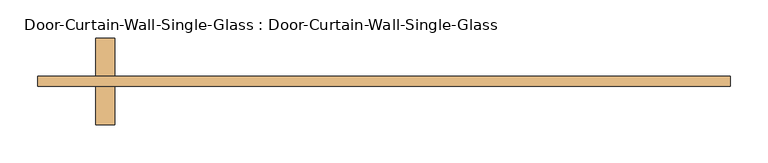
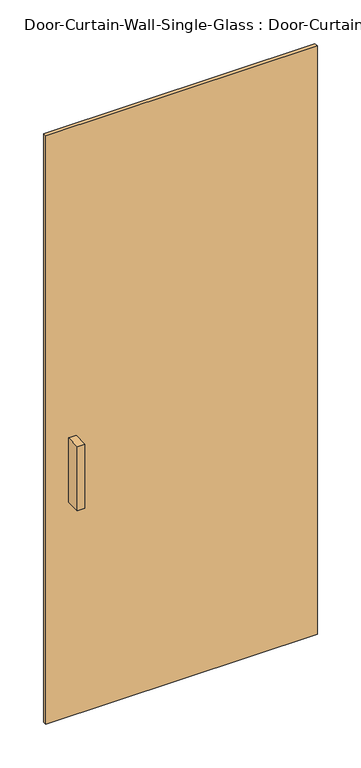
"""IFC4 building model written with IfcOpenShell, lengths in millimetres: door geometry, Door-Curtain-Wall-Single-Glass : Door-Curtain-Wall-Single-Glass."""

from ifc_helpers import new_model, si_unit, frame, origin, origin_with_axes, place, context, project, spatial, polyline, outline, extrude, source, transform, mapped, element, save


def door_curtain_wall_single_glass_door_curtain_wall_single_17bb2955(model_context):
    return source(origin(), model_context, "Body", "SweptSolid", [
        extrude(outline(polyline([(456.406885, -50.8), (-456.406885, -50.8), (-456.406885, -38.1), (456.406885, -38.1), (456.406885, -50.8)])), origin_with_axes(), (0.0, 0.0, 1.0), 2089.9351997),
        extrude(outline(polyline([(-354.806885, 12.7), (-354.806885, -38.1), (-380.206885, -38.1), (-380.206885, 12.7), (-354.806885, 12.7)])), frame((0.0, 0.0, 762.0), z_axis=(0.0, 0.0, 1.0), x_axis=(1.0, 0.0, 0.0)), (0.0, 0.0, 1.0), 228.6),
        extrude(outline(polyline([(-380.206885, -101.6), (-380.206885, -50.8), (-354.806885, -50.8), (-354.806885, -101.6), (-380.206885, -101.6)])), frame((0.0, 0.0, 762.0), z_axis=(0.0, 0.0, 1.0), x_axis=(1.0, 0.0, 0.0)), (0.0, 0.0, 1.0), 228.6),
    ])


if __name__ == "__main__":
    model = new_model("IFC4")
    model_context = context("Model", 3, world=origin())
    ifc_project = project(units=[si_unit("LENGTHUNIT", "METRE", prefix="MILLI")], contexts=[model_context])
    site = spatial("IfcSite", under=ifc_project)
    building = spatial("IfcBuilding", under=site)
    placement = place(None, origin())
    door_curtain_wall_single_glass_door_curtain_wall_single_shape = door_curtain_wall_single_glass_door_curtain_wall_single_17bb2955(model_context)
    element("IfcDoor", 1, ObjectType="Door-Curtain-Wall-Single-Glass : Door-Curtain-Wall-Single-Glass", at=placement, inside=building, context=model_context, shape_type="MappedRepresentation", body=[
        mapped(door_curtain_wall_single_glass_door_curtain_wall_single_shape, transform((0.0, 0.0, 0.0), x_axis=(1.0, 0.0, 0.0), y_axis=(0.0, 1.0, 0.0), z_axis=(0.0, 0.0, 1.0))),
    ])
    save(model, "model.ifc")
